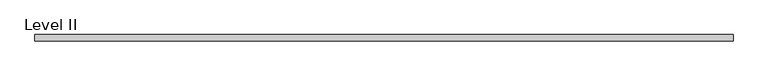
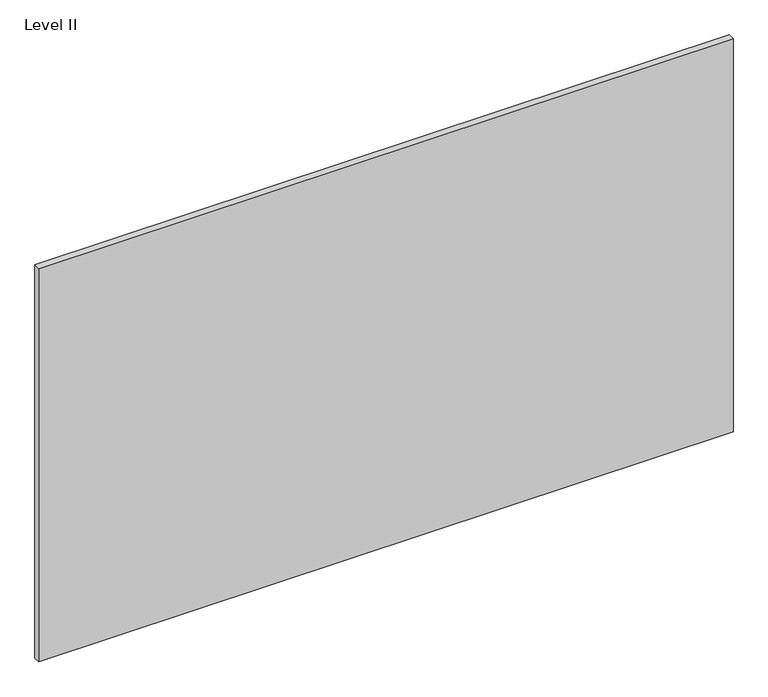
"""IFC4 building model written with IfcOpenShell, lengths in millimetres: proxy geometry, Level II."""

from ifc_helpers import new_model, si_unit, frame, origin, place, context, project, spatial, polyline, outline, extrude, source, transform, mapped, element, save


def level_ii_554533ae(model_context):
    return source(origin(), model_context, "Body", "SweptSolid", [
        extrude(outline(polyline([(1012.8305563, -9.525), (-1012.8305562, -9.525), (-1012.8305562, 9.525), (1012.8305563, 9.525), (1012.8305563, -9.525)])), frame((0.0, 0.0, 3.175), z_axis=(0.0, 0.0, 1.0), x_axis=(1.0, 0.0, 0.0)), (0.0, 0.0, 1.0), 1212.85),
    ])


if __name__ == "__main__":
    model = new_model("IFC4")
    model_context = context("Model", 3, world=origin())
    ifc_project = project(units=[si_unit("LENGTHUNIT", "METRE", prefix="MILLI")], contexts=[model_context])
    site = spatial("IfcSite", under=ifc_project)
    building = spatial("IfcBuilding", under=site)
    placement = place(None, origin())
    level_ii_shape = level_ii_554533ae(model_context)
    element("IfcBuildingElementProxy", 1, Name="Level II", ObjectType="Level II", at=placement, inside=building, context=model_context, shape_type="MappedRepresentation", body=[
        mapped(level_ii_shape, transform((0.0, 0.0, 0.0), x_axis=(1.0, 0.0, 0.0), y_axis=(0.0, 1.0, 0.0), z_axis=(0.0, 0.0, 1.0))),
    ])
    save(model, "model.ifc")
